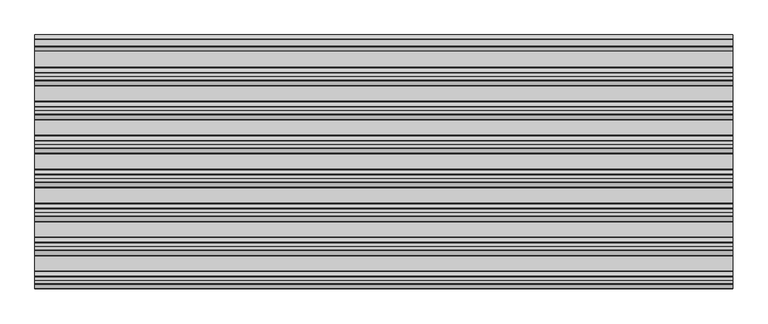
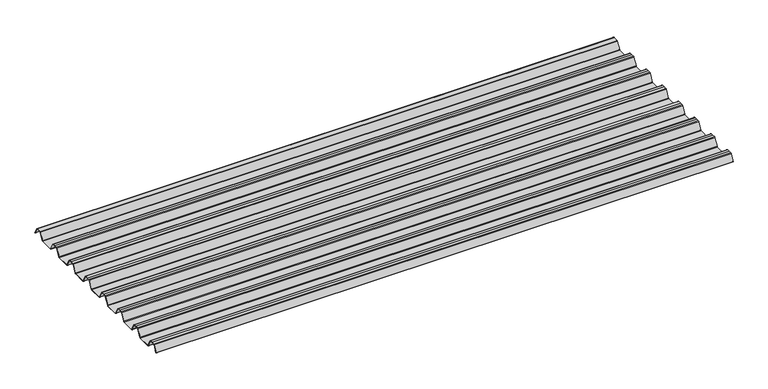
"""IFC4 building model written with IfcOpenShell, lengths in millimetres: beam geometry."""

from ifc_helpers import new_model, si_unit, point, frame, frame_2d, origin, place, context, project, spatial, polyline, circle_curve, trimmed, segment, composite_curve, outline, extrude, source, transform, mapped, element, save


def beam_1c9118a1(model_context):
    return source(origin(), model_context, "Body", "SweptSolid", [
        extrude(outline(composite_curve([segment(trimmed(circle_curve(frame_2d((12.4202706, 6.454055)), 0.7571435), [point((13.1162593, 6.7521591))], [point((12.456054, 7.2103525))], True, "CARTESIAN"), True, "CONTINUOUS"), segment(polyline([(12.456054, 7.2103525), (-12.456054, 7.2103525)]), True, "CONTINUOUS"), segment(trimmed(circle_curve(frame_2d((-12.4202706, 6.454055)), 0.7571435), [point((-12.456054, 7.2103525))], [point((-13.1162593, 6.7521591))], True, "CARTESIAN"), True, "CONTINUOUS"), segment(polyline([(-13.1162593, 6.7521591), (-29.7452902, -24.2632513)]), True, "CONTINUOUS"), segment(trimmed(circle_curve(frame_2d((-32.2956191, -22.8958828)), 2.8937647), [point((-29.7452902, -24.2632513))], [point((-32.2956191, -25.7896475))], False, "CARTESIAN"), True, "CONTINUOUS"), segment(polyline([(-32.2956191, -25.7896475), (-92.0, -25.7896475)]), True, "CONTINUOUS"), segment(trimmed(circle_curve(frame_2d((-91.9202706, -22.03335)), 3.7571435), [point((-92.0, -25.7896475))], [point((-95.2893314, -23.6963464))], False, "CARTESIAN"), True, "CONTINUOUS"), segment(polyline([(-95.2893314, -23.6963464), (-112.0926736, 7.6441785)]), True, "CONTINUOUS"), segment(trimmed(circle_curve(frame_2d((-114.5797294, 6.454055)), 2.7571435), [point((-112.0926736, 7.6441785))], [point((-114.511431, 9.2103525))], True, "CARTESIAN"), True, "CONTINUOUS"), segment(polyline([(-114.511431, 9.2103525), (-127.0, 9.2103525), (-139.488569, 9.2103525)]), True, "CONTINUOUS"), segment(trimmed(circle_curve(frame_2d((-139.4202706, 6.454055)), 2.7571435), [point((-139.488569, 9.2103525))], [point((-141.9073264, 7.6441785))], True, "CARTESIAN"), True, "CONTINUOUS"), segment(polyline([(-141.9073264, 7.6441785), (-158.7106686, -23.6963464)]), True, "CONTINUOUS"), segment(trimmed(circle_curve(frame_2d((-162.0797294, -22.03335)), 3.7571435), [point((-158.7106686, -23.6963464))], [point((-162.0, -25.7896475))], False, "CARTESIAN"), True, "CONTINUOUS"), segment(polyline([(-162.0, -25.7896475), (-219.0, -25.7896475)]), True, "CONTINUOUS"), segment(trimmed(circle_curve(frame_2d((-218.9202706, -22.03335)), 3.7571435), [point((-219.0, -25.7896475))], [point((-222.2893314, -23.6963464))], False, "CARTESIAN"), True, "CONTINUOUS"), segment(polyline([(-222.2893314, -23.6963464), (-239.0926736, 7.6441785)]), True, "CONTINUOUS"), segment(trimmed(circle_curve(frame_2d((-241.5797294, 6.454055)), 2.7571435), [point((-239.0926736, 7.6441785))], [point((-241.511431, 9.2103525))], True, "CARTESIAN"), True, "CONTINUOUS"), segment(polyline([(-241.511431, 9.2103525), (-254.0, 9.2103525), (-266.488569, 9.2103525)]), True, "CONTINUOUS"), segment(trimmed(circle_curve(frame_2d((-266.4202706, 6.454055)), 2.7571435), [point((-266.488569, 9.2103525))], [point((-268.9073264, 7.6441785))], True, "CARTESIAN"), True, "CONTINUOUS"), segment(polyline([(-268.9073264, 7.6441785), (-285.7106686, -23.6963464)]), True, "CONTINUOUS"), segment(trimmed(circle_curve(frame_2d((-289.0797294, -22.03335)), 3.7571435), [point((-285.7106686, -23.6963464))], [point((-289.0, -25.7896475))], False, "CARTESIAN"), True, "CONTINUOUS"), segment(polyline([(-289.0, -25.7896475), (-346.0, -25.7896475)]), True, "CONTINUOUS"), segment(trimmed(circle_curve(frame_2d((-345.9202706, -22.03335)), 3.7571435), [point((-346.0, -25.7896475))], [point((-349.2893314, -23.6963464))], False, "CARTESIAN"), True, "CONTINUOUS"), segment(polyline([(-349.2893314, -23.6963464), (-366.0926736, 7.6441785)]), True, "CONTINUOUS"), segment(trimmed(circle_curve(frame_2d((-368.5797294, 6.454055)), 2.7571435), [point((-366.0926736, 7.6441785))], [point((-368.511431, 9.2103525))], True, "CARTESIAN"), True, "CONTINUOUS"), segment(polyline([(-368.511431, 9.2103525), (-381.0, 9.2103525), (-393.488569, 9.2103525)]), True, "CONTINUOUS"), segment(trimmed(circle_curve(frame_2d((-393.4202706, 6.454055)), 2.7571435), [point((-393.488569, 9.2103525))], [point((-395.9073264, 7.6441785))], True, "CARTESIAN"), True, "CONTINUOUS"), segment(polyline([(-395.9073264, 7.6441785), (-412.7106686, -23.6963464)]), True, "CONTINUOUS"), segment(trimmed(circle_curve(frame_2d((-416.0797294, -22.03335)), 3.7571435), [point((-412.7106686, -23.6963464))], [point((-416.0, -25.7896475))], False, "CARTESIAN"), True, "CONTINUOUS"), segment(polyline([(-416.0, -25.7896475), (-473.0, -25.7896475)]), True, "CONTINUOUS"), segment(trimmed(circle_curve(frame_2d((-472.9202706, -22.03335)), 3.7571435), [point((-473.0, -25.7896475))], [point((-476.2893314, -23.6963464))], False, "CARTESIAN"), True, "CONTINUOUS"), segment(polyline([(-476.2893314, -23.6963464), (-493.0926736, 7.6441785)]), True, "CONTINUOUS"), segment(trimmed(circle_curve(frame_2d((-495.5797294, 6.454055)), 2.7571435), [point((-493.0926736, 7.6441785))], [point((-495.511431, 9.2103525))], True, "CARTESIAN"), True, "CONTINUOUS"), segment(polyline([(-495.511431, 9.2103525), (-508.0, 9.2103525), (-520.488569, 9.2103525)]), True, "CONTINUOUS"), segment(trimmed(circle_curve(frame_2d((-520.4202706, 6.454055)), 2.7571435), [point((-520.488569, 9.2103525))], [point((-522.9073264, 7.6441785))], True, "CARTESIAN"), True, "CONTINUOUS"), segment(polyline([(-522.9073264, 7.6441785), (-539.7106686, -23.6963464)]), True, "CONTINUOUS"), segment(trimmed(circle_curve(frame_2d((-543.0797294, -22.03335)), 3.7571435), [point((-539.7106686, -23.6963464))], [point((-543.0, -25.7896475))], False, "CARTESIAN"), True, "CONTINUOUS"), segment(polyline([(-543.0, -25.7896475), (-600.0, -25.7896475)]), True, "CONTINUOUS"), segment(trimmed(circle_curve(frame_2d((-599.9202706, -22.03335)), 3.7571435), [point((-600.0, -25.7896475))], [point((-603.2893314, -23.6963464))], False, "CARTESIAN"), True, "CONTINUOUS"), segment(polyline([(-603.2893314, -23.6963464), (-620.0926736, 7.6441785)]), True, "CONTINUOUS"), segment(trimmed(circle_curve(frame_2d((-622.5797294, 6.454055)), 2.7571435), [point((-620.0926736, 7.6441785))], [point((-622.511431, 9.2103525))], True, "CARTESIAN"), True, "CONTINUOUS"), segment(polyline([(-622.511431, 9.2103525), (-635.0, 9.2103525), (-647.488569, 9.2103525)]), True, "CONTINUOUS"), segment(trimmed(circle_curve(frame_2d((-647.4202706, 6.454055)), 2.7571435), [point((-647.488569, 9.2103525))], [point((-649.9073264, 7.6441785))], True, "CARTESIAN"), True, "CONTINUOUS"), segment(polyline([(-649.9073264, 7.6441785), (-666.7106686, -23.6963464)]), True, "CONTINUOUS"), segment(trimmed(circle_curve(frame_2d((-670.0797294, -22.03335)), 3.7571435), [point((-666.7106686, -23.6963464))], [point((-670.0, -25.7896475))], False, "CARTESIAN"), True, "CONTINUOUS"), segment(polyline([(-670.0, -25.7896475), (-727.0, -25.7896475)]), True, "CONTINUOUS"), segment(trimmed(circle_curve(frame_2d((-726.9202706, -22.03335)), 3.7571435), [point((-727.0, -25.7896475))], [point((-730.2893314, -23.6963464))], False, "CARTESIAN"), True, "CONTINUOUS"), segment(polyline([(-730.2893314, -23.6963464), (-747.0926736, 7.6441785)]), True, "CONTINUOUS"), segment(trimmed(circle_curve(frame_2d((-749.5797294, 6.454055)), 2.7571435), [point((-747.0926736, 7.6441785))], [point((-749.511431, 9.2103525))], True, "CARTESIAN"), True, "CONTINUOUS"), segment(polyline([(-749.511431, 9.2103525), (-762.0, 9.2103525), (-774.488569, 9.2103525)]), True, "CONTINUOUS"), segment(trimmed(circle_curve(frame_2d((-774.4202706, 6.454055)), 2.7571435), [point((-774.488569, 9.2103525))], [point((-776.9073264, 7.6441785))], True, "CARTESIAN"), True, "CONTINUOUS"), segment(polyline([(-776.9073264, 7.6441785), (-793.7106686, -23.6963464)]), True, "CONTINUOUS"), segment(trimmed(circle_curve(frame_2d((-797.0797294, -22.03335)), 3.7571435), [point((-793.7106686, -23.6963464))], [point((-797.0, -25.7896475))], False, "CARTESIAN"), True, "CONTINUOUS"), segment(polyline([(-797.0, -25.7896475), (-854.0, -25.7896475)]), True, "CONTINUOUS"), segment(trimmed(circle_curve(frame_2d((-853.9202706, -22.03335)), 3.7571435), [point((-854.0, -25.7896475))], [point((-857.2893314, -23.6963464))], False, "CARTESIAN"), True, "CONTINUOUS"), segment(polyline([(-857.2893314, -23.6963464), (-874.0926736, 7.6441785)]), True, "CONTINUOUS"), segment(trimmed(circle_curve(frame_2d((-876.5797294, 6.454055)), 2.7571435), [point((-874.0926736, 7.6441785))], [point((-876.511431, 9.2103525))], True, "CARTESIAN"), True, "CONTINUOUS"), segment(polyline([(-876.511431, 9.2103525), (-889.0, 9.2103525), (-901.488569, 9.2103525)]), True, "CONTINUOUS"), segment(trimmed(circle_curve(frame_2d((-901.4202706, 6.454055)), 2.7571435), [point((-901.488569, 9.2103525))], [point((-903.9073264, 7.6441785))], True, "CARTESIAN"), True, "CONTINUOUS"), segment(polyline([(-903.9073264, 7.6441785), (-918.9585755, -20.4284536)]), True, "CONTINUOUS"), segment(trimmed(circle_curve(frame_2d((-919.3992348, -20.1921924)), 0.5), [point((-918.9585755, -20.4284536))], [point((-919.8398941, -19.9559313))], False, "CARTESIAN"), True, "CONTINUOUS"), segment(polyline([(-919.8398941, -19.9559313), (-904.7986379, 8.0980628)]), True, "CONTINUOUS"), segment(trimmed(circle_curve(frame_2d((-901.4202706, 6.454055)), 3.7571435), [point((-904.7986379, 8.0980628))], [point((-901.5, 10.2103525))], False, "CARTESIAN"), True, "CONTINUOUS"), segment(polyline([(-901.5, 10.2103525), (-889.0, 10.2103525), (-876.5, 10.2103525)]), True, "CONTINUOUS"), segment(trimmed(circle_curve(frame_2d((-876.5797294, 6.454055)), 3.7571435), [point((-876.5, 10.2103525))], [point((-873.2013621, 8.0980628))], False, "CARTESIAN"), True, "CONTINUOUS"), segment(polyline([(-873.2013621, 8.0980628), (-856.3994529, -23.2397892)]), True, "CONTINUOUS"), segment(trimmed(circle_curve(frame_2d((-853.9202706, -22.03335)), 2.7571435), [point((-856.3994529, -23.2397892))], [point((-853.988569, -24.7896475))], True, "CARTESIAN"), True, "CONTINUOUS"), segment(polyline([(-853.988569, -24.7896475), (-797.011431, -24.7896475)]), True, "CONTINUOUS"), segment(trimmed(circle_curve(frame_2d((-797.0797294, -22.03335)), 2.7571435), [point((-797.011431, -24.7896475))], [point((-794.6005471, -23.2397892))], True, "CARTESIAN"), True, "CONTINUOUS"), segment(polyline([(-794.6005471, -23.2397892), (-777.7986379, 8.0980628)]), True, "CONTINUOUS"), segment(trimmed(circle_curve(frame_2d((-774.4202706, 6.454055)), 3.7571435), [point((-777.7986379, 8.0980628))], [point((-774.5, 10.2103525))], False, "CARTESIAN"), True, "CONTINUOUS"), segment(polyline([(-774.5, 10.2103525), (-762.0, 10.2103525), (-749.5, 10.2103525)]), True, "CONTINUOUS"), segment(trimmed(circle_curve(frame_2d((-749.5797294, 6.454055)), 3.7571435), [point((-749.5, 10.2103525))], [point((-746.2013621, 8.0980628))], False, "CARTESIAN"), True, "CONTINUOUS"), segment(polyline([(-746.2013621, 8.0980628), (-729.3994529, -23.2397892)]), True, "CONTINUOUS"), segment(trimmed(circle_curve(frame_2d((-726.9202706, -22.03335)), 2.7571435), [point((-729.3994529, -23.2397892))], [point((-726.988569, -24.7896475))], True, "CARTESIAN"), True, "CONTINUOUS"), segment(polyline([(-726.988569, -24.7896475), (-670.011431, -24.7896475)]), True, "CONTINUOUS"), segment(trimmed(circle_curve(frame_2d((-670.0797294, -22.03335)), 2.7571435), [point((-670.011431, -24.7896475))], [point((-667.6005471, -23.2397892))], True, "CARTESIAN"), True, "CONTINUOUS"), segment(polyline([(-667.6005471, -23.2397892), (-650.7986379, 8.0980628)]), True, "CONTINUOUS"), segment(trimmed(circle_curve(frame_2d((-647.4202706, 6.454055)), 3.7571435), [point((-650.7986379, 8.0980628))], [point((-647.5, 10.2103525))], False, "CARTESIAN"), True, "CONTINUOUS"), segment(polyline([(-647.5, 10.2103525), (-635.0, 10.2103525), (-622.5, 10.2103525)]), True, "CONTINUOUS"), segment(trimmed(circle_curve(frame_2d((-622.5797294, 6.454055)), 3.7571435), [point((-622.5, 10.2103525))], [point((-619.2013621, 8.0980628))], False, "CARTESIAN"), True, "CONTINUOUS"), segment(polyline([(-619.2013621, 8.0980628), (-602.3994529, -23.2397892)]), True, "CONTINUOUS"), segment(trimmed(circle_curve(frame_2d((-599.9202706, -22.03335)), 2.7571435), [point((-602.3994529, -23.2397892))], [point((-599.988569, -24.7896475))], True, "CARTESIAN"), True, "CONTINUOUS"), segment(polyline([(-599.988569, -24.7896475), (-543.011431, -24.7896475)]), True, "CONTINUOUS"), segment(trimmed(circle_curve(frame_2d((-543.0797294, -22.03335)), 2.7571435), [point((-543.011431, -24.7896475))], [point((-540.6005471, -23.2397892))], True, "CARTESIAN"), True, "CONTINUOUS"), segment(polyline([(-540.6005471, -23.2397892), (-523.7986379, 8.0980628)]), True, "CONTINUOUS"), segment(trimmed(circle_curve(frame_2d((-520.4202706, 6.454055)), 3.7571435), [point((-523.7986379, 8.0980628))], [point((-520.5, 10.2103525))], False, "CARTESIAN"), True, "CONTINUOUS"), segment(polyline([(-520.5, 10.2103525), (-508.0, 10.2103525), (-495.5, 10.2103525)]), True, "CONTINUOUS"), segment(trimmed(circle_curve(frame_2d((-495.5797294, 6.454055)), 3.7571435), [point((-495.5, 10.2103525))], [point((-492.2013621, 8.0980628))], False, "CARTESIAN"), True, "CONTINUOUS"), segment(polyline([(-492.2013621, 8.0980628), (-475.3994529, -23.2397892)]), True, "CONTINUOUS"), segment(trimmed(circle_curve(frame_2d((-472.9202706, -22.03335)), 2.7571435), [point((-475.3994529, -23.2397892))], [point((-472.988569, -24.7896475))], True, "CARTESIAN"), True, "CONTINUOUS"), segment(polyline([(-472.988569, -24.7896475), (-416.011431, -24.7896475)]), True, "CONTINUOUS"), segment(trimmed(circle_curve(frame_2d((-416.0797294, -22.03335)), 2.7571435), [point((-416.011431, -24.7896475))], [point((-413.6005471, -23.2397892))], True, "CARTESIAN"), True, "CONTINUOUS"), segment(polyline([(-413.6005471, -23.2397892), (-396.7986379, 8.0980628)]), True, "CONTINUOUS"), segment(trimmed(circle_curve(frame_2d((-393.4202706, 6.454055)), 3.7571435), [point((-396.7986379, 8.0980628))], [point((-393.5, 10.2103525))], False, "CARTESIAN"), True, "CONTINUOUS"), segment(polyline([(-393.5, 10.2103525), (-381.0, 10.2103525), (-368.5, 10.2103525)]), True, "CONTINUOUS"), segment(trimmed(circle_curve(frame_2d((-368.5797294, 6.454055)), 3.7571435), [point((-368.5, 10.2103525))], [point((-365.2013621, 8.0980628))], False, "CARTESIAN"), True, "CONTINUOUS"), segment(polyline([(-365.2013621, 8.0980628), (-348.3994529, -23.2397892)]), True, "CONTINUOUS"), segment(trimmed(circle_curve(frame_2d((-345.9202706, -22.03335)), 2.7571435), [point((-348.3994529, -23.2397892))], [point((-345.988569, -24.7896475))], True, "CARTESIAN"), True, "CONTINUOUS"), segment(polyline([(-345.988569, -24.7896475), (-289.011431, -24.7896475)]), True, "CONTINUOUS"), segment(trimmed(circle_curve(frame_2d((-289.0797294, -22.03335)), 2.7571435), [point((-289.011431, -24.7896475))], [point((-286.6005471, -23.2397892))], True, "CARTESIAN"), True, "CONTINUOUS"), segment(polyline([(-286.6005471, -23.2397892), (-269.7986379, 8.0980628)]), True, "CONTINUOUS"), segment(trimmed(circle_curve(frame_2d((-266.4202706, 6.454055)), 3.7571435), [point((-269.7986379, 8.0980628))], [point((-266.5, 10.2103525))], False, "CARTESIAN"), True, "CONTINUOUS"), segment(polyline([(-266.5, 10.2103525), (-254.0, 10.2103525), (-241.5, 10.2103525)]), True, "CONTINUOUS"), segment(trimmed(circle_curve(frame_2d((-241.5797294, 6.454055)), 3.7571435), [point((-241.5, 10.2103525))], [point((-238.2013621, 8.0980628))], False, "CARTESIAN"), True, "CONTINUOUS"), segment(polyline([(-238.2013621, 8.0980628), (-221.3994529, -23.2397892)]), True, "CONTINUOUS"), segment(trimmed(circle_curve(frame_2d((-218.9202706, -22.03335)), 2.7571435), [point((-221.3994529, -23.2397892))], [point((-218.988569, -24.7896475))], True, "CARTESIAN"), True, "CONTINUOUS"), segment(polyline([(-218.988569, -24.7896475), (-162.011431, -24.7896475)]), True, "CONTINUOUS"), segment(trimmed(circle_curve(frame_2d((-162.0797294, -22.03335)), 2.7571435), [point((-162.011431, -24.7896475))], [point((-159.6005471, -23.2397892))], True, "CARTESIAN"), True, "CONTINUOUS"), segment(polyline([(-159.6005471, -23.2397892), (-142.7986379, 8.0980628)]), True, "CONTINUOUS"), segment(trimmed(circle_curve(frame_2d((-139.4202706, 6.454055)), 3.7571435), [point((-142.7986379, 8.0980628))], [point((-139.5, 10.2103525))], False, "CARTESIAN"), True, "CONTINUOUS"), segment(polyline([(-139.5, 10.2103525), (-127.0, 10.2103525), (-114.5, 10.2103525)]), True, "CONTINUOUS"), segment(trimmed(circle_curve(frame_2d((-114.5797294, 6.454055)), 3.7571435), [point((-114.5, 10.2103525))], [point((-111.2013621, 8.0980628))], False, "CARTESIAN"), True, "CONTINUOUS"), segment(polyline([(-111.2013621, 8.0980628), (-94.3994529, -23.2397892)]), True, "CONTINUOUS"), segment(trimmed(circle_curve(frame_2d((-91.9202706, -22.03335)), 2.7571435), [point((-94.3994529, -23.2397892))], [point((-91.988569, -24.7896475))], True, "CARTESIAN"), True, "CONTINUOUS"), segment(polyline([(-91.988569, -24.7896475), (-32.2956191, -24.7896475)]), True, "CONTINUOUS"), segment(trimmed(circle_curve(frame_2d((-32.2956191, -22.8958828)), 1.8937647), [point((-32.2956191, -24.7896475))], [point((-30.6266089, -23.790729))], True, "CARTESIAN"), True, "CONTINUOUS"), segment(polyline([(-30.6266089, -23.790729), (-14.013963, 7.1941212)]), True, "CONTINUOUS"), segment(trimmed(circle_curve(frame_2d((-12.4202706, 6.454055)), 1.7571435), [point((-14.013963, 7.1941212))], [point((-12.4747918, 8.2103525))], False, "CARTESIAN"), True, "CONTINUOUS"), segment(polyline([(-12.4747918, 8.2103525), (12.4747918, 8.2103525)]), True, "CONTINUOUS"), segment(trimmed(circle_curve(frame_2d((12.4202706, 6.454055)), 1.7571435), [point((12.4747918, 8.2103525))], [point((14.013963, 7.1941212))], False, "CARTESIAN"), True, "CONTINUOUS"), segment(polyline([(14.013963, 7.1941212), (29.5895021, -21.8563833)]), True, "CONTINUOUS"), segment(trimmed(circle_curve(frame_2d((29.1488427, -22.0926445)), 0.5), [point((29.5895021, -21.8563833))], [point((28.7081834, -22.3289057))], False, "CARTESIAN"), True, "CONTINUOUS"), segment(polyline([(28.7081834, -22.3289057), (13.1162593, 6.7521591)]), True, "CONTINUOUS")], self_intersect=False)), frame((-1305.1012987, 0.0, 0.0), z_axis=(1.0, 0.0, 0.0), x_axis=(0.0, 1.0, 0.0)), (0.0, 0.0, 1.0), 2610.2025973),
    ])


if __name__ == "__main__":
    model = new_model("IFC4")
    model_context = context("Model", 3, world=origin())
    ifc_project = project(units=[si_unit("LENGTHUNIT", "METRE", prefix="MILLI")], contexts=[model_context])
    site = spatial("IfcSite", under=ifc_project)
    building = spatial("IfcBuilding", under=site)
    placement = place(None, origin())
    beam_shape = beam_1c9118a1(model_context)
    element("IfcBeam", 1, at=placement, inside=building, context=model_context, shape_type="MappedRepresentation", body=[
        mapped(beam_shape, transform((0.0, 0.0, 0.0), x_axis=(1.0, 0.0, 0.0), y_axis=(0.0, 1.0, 0.0), z_axis=(0.0, 0.0, 1.0))),
    ])
    save(model, "model.ifc")
